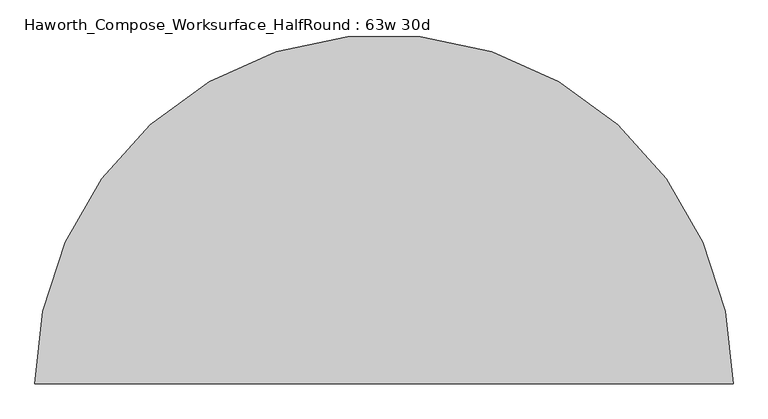
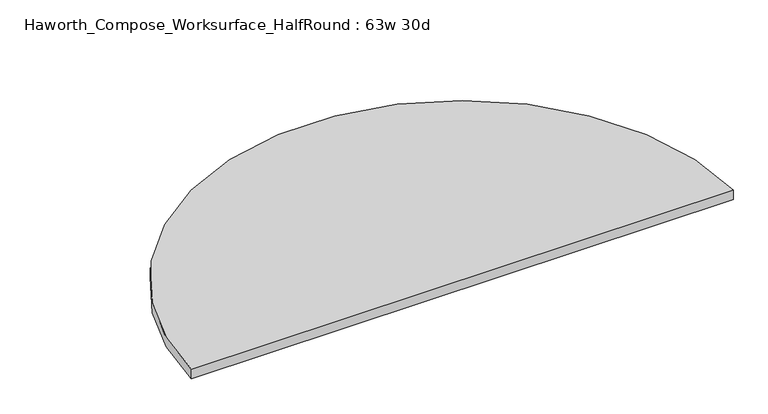
"""IFC4 building model written with IfcOpenShell, lengths in millimetres: furniture geometry, Haworth_Compose_Worksurface_HalfRound : 63w 30d."""

from ifc_helpers import new_model, si_unit, point, frame, frame_2d, origin, place, context, project, spatial, polyline, circle_curve, trimmed, segment, composite_curve, outline, extrude, source, transform, mapped, element, save


def haworth_compose_worksurface_halfround_63w_30d_dff3380d(model_context):
    return source(origin(), model_context, "Body", "SweptSolid", [
        extrude(outline(composite_curve([segment(trimmed(circle_curve(frame_2d((0.0, -400.05)), 800.1), [point((-800.1, -400.05))], [point((800.1, -400.05))], False, "CARTESIAN"), True, "CONTINUOUS"), segment(polyline([(800.1, -400.05), (-800.1, -400.05)]), True, "CONTINUOUS")], self_intersect=False)), frame((0.0, 0.0, 706.4375), z_axis=(0.0, 0.0, 1.0), x_axis=(1.0, 0.0, 0.0)), (0.0, 0.0, 1.0), 30.1625),
    ])


if __name__ == "__main__":
    model = new_model("IFC4")
    model_context = context("Model", 3, world=origin())
    ifc_project = project(units=[si_unit("LENGTHUNIT", "METRE", prefix="MILLI")], contexts=[model_context])
    site = spatial("IfcSite", under=ifc_project)
    building = spatial("IfcBuilding", under=site)
    placement = place(None, origin())
    haworth_compose_worksurface_halfround_63w_30d_shape = haworth_compose_worksurface_halfround_63w_30d_dff3380d(model_context)
    element("IfcFurniture", 1, ObjectType="Haworth_Compose_Worksurface_HalfRound : 63w 30d", at=placement, inside=building, context=model_context, shape_type="MappedRepresentation", body=[
        mapped(haworth_compose_worksurface_halfround_63w_30d_shape, transform((0.0, 0.0, 0.0), x_axis=(1.0, 0.0, 0.0), y_axis=(0.0, 1.0, 0.0), z_axis=(0.0, 0.0, 1.0))),
    ])
    save(model, "model.ifc")
